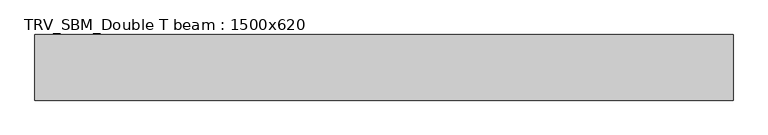
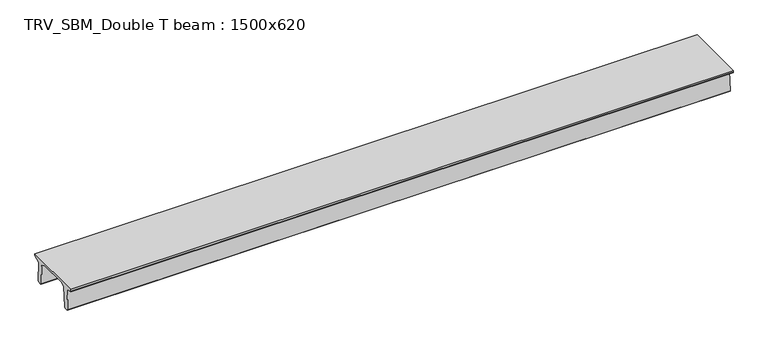
"""IFC4 building model written with IfcOpenShell, lengths in millimetres: beam geometry, TRV_SBM_Double T beam : 1500x620."""

import ifcopenshell
import ifcopenshell.guid

model = None  # the IFC model being written
_history = None  # IfcOwnerHistory: only IFC2X3 demands one
_inside = {}  # id of a spatial element -> (the spatial element, [elements in it])
_under = {}  # id of a project, library or spatial element -> (it, [spatial elements below it])
_declared = {}  # id of a project -> (the project, [libraries it declares])
_typed = {}  # id of a type object -> (the type object, [elements of that type])
_made_of = {}  # id of a material, layer set ... -> (it, [elements and type objects made of it])


def new_model(schema):
    """Start an empty IFC model of exactly this schema.

    Asked for "IFC4X3", IfcOpenShell would pick the latest addendum, in which some entities
    have other attributes; the version numbers below select the first issue.
    IFC2X3 requires an IfcOwnerHistory on every rooted entity: one is made here for all.
    """
    global model, _history
    if schema == "IFC4X3":
        model = ifcopenshell.file(schema_version=(4, 3, 0, 0))
    else:
        model = ifcopenshell.file(schema=schema)
    _inside.clear()
    _under.clear()
    _declared.clear()
    _typed.clear()
    _made_of.clear()
    _history = None
    if model.schema == "IFC2X3":
        org = make("IfcOrganization", Name="unknown")
        user = make(
            "IfcPersonAndOrganization",
            ThePerson=make("IfcPerson", FamilyName="unknown"),
            TheOrganization=org,
        )
        app = make(
            "IfcApplication",
            ApplicationDeveloper=org,
            Version="unknown",
            ApplicationFullName="unknown",
            ApplicationIdentifier="unknown",
        )
        _history = make(
            "IfcOwnerHistory",
            OwningUser=user,
            OwningApplication=app,
            ChangeAction="ADDED",
            CreationDate=0,
        )
    return model


def make(cls, **values):
    """One entity of the class cls with the attributes given. An attribute that is None is left unset."""
    return model.create_entity(
        cls, **{name: value for name, value in values.items() if value is not None}
    )


def rooted(cls, **values):
    """An entity with a GlobalId (a new one), such as an element, a storey or a relation."""
    return make(cls, GlobalId=ifcopenshell.guid.new(), OwnerHistory=_history, **values)


def si_unit(unit_type, name, prefix=None):
    """IfcSIUnit, for example si_unit("LENGTHUNIT", "METRE", prefix="MILLI")."""
    return make("IfcSIUnit", UnitType=unit_type, Prefix=prefix, Name=name)


def assignment(units):
    """IfcUnitAssignment: the units of a project."""
    return None if units is None else make("IfcUnitAssignment", Units=units)


def point(xyz):
    """IfcCartesianPoint."""
    return None if xyz is None else make("IfcCartesianPoint", Coordinates=xyz)


def direction(xyz):
    """IfcDirection."""
    return None if xyz is None else make("IfcDirection", DirectionRatios=xyz)


def frame(location, z_axis=None, x_axis=None):
    """IfcAxis2Placement3D, a coordinate frame: its origin and axes. An axis left out is left unset."""
    return make(
        "IfcAxis2Placement3D",
        Location=point(location),
        Axis=direction(z_axis),
        RefDirection=direction(x_axis),
    )


def origin():
    """The frame at (0, 0, 0) with its axes left unset."""
    return frame((0.0, 0.0, 0.0))


def place(relative_to, where):
    """IfcLocalPlacement: puts the frame where relative to a parent placement (None: the world)."""
    return make(
        "IfcLocalPlacement", PlacementRelTo=relative_to, RelativePlacement=where
    )


def context(
    kind, dimensions, precision=None, world=None, true_north=None, identifier=None
):
    """IfcGeometricRepresentationContext, for example the 3D "Model" context."""
    return make(
        "IfcGeometricRepresentationContext",
        ContextIdentifier=identifier,
        ContextType=kind,
        CoordinateSpaceDimension=dimensions,
        Precision=precision,
        WorldCoordinateSystem=world,
        TrueNorth=true_north,
    )


def project(units=None, contexts=None):
    """IfcProject with its units and contexts."""
    return rooted(
        "IfcProject",
        Name="project",
        RepresentationContexts=contexts,
        UnitsInContext=assignment(units),
    )


def spatial(cls, under=None, at=None, **own):
    """A site, building, storey or space (cls), placed at a placement, below another one or the project."""
    s = rooted(cls, ObjectPlacement=at, **own)
    if under is not None:
        _under.setdefault(under.id(), (under, []))[1].append(s)
    return s


def polyline(points):
    """IfcPolyline through the points."""
    return make("IfcPolyline", Points=[point(p) for p in points])


def outline(outer, holes=None, kind="AREA"):
    """IfcArbitraryClosedProfileDef: a profile drawn as a closed curve; with holes, ...WithVoids."""
    if holes is None:
        return make("IfcArbitraryClosedProfileDef", ProfileType=kind, OuterCurve=outer)
    return make(
        "IfcArbitraryProfileDefWithVoids",
        ProfileType=kind,
        OuterCurve=outer,
        InnerCurves=holes,
    )


def extrude(swept, where, along, depth):
    """IfcExtrudedAreaSolid: the profile swept, set in the frame where, extruded along a direction by depth."""
    return make(
        "IfcExtrudedAreaSolid",
        SweptArea=swept,
        Position=where,
        ExtrudedDirection=direction(along),
        Depth=depth,
    )


def shape(context_of_items, identifier, shape_type, items):
    """IfcShapeRepresentation: the items that make up one representation, for example the "Body"."""
    return make(
        "IfcShapeRepresentation",
        ContextOfItems=context_of_items,
        RepresentationIdentifier=identifier,
        RepresentationType=shape_type,
        Items=items,
    )


def source(mapping_origin, context_of_items, identifier, shape_type, items):
    """IfcRepresentationMap: a shape defined once, which mapped items show again and again."""
    return make(
        "IfcRepresentationMap",
        MappingOrigin=mapping_origin,
        MappedRepresentation=shape(context_of_items, identifier, shape_type, items),
    )


def transform(
    local_origin,
    x_axis=None,
    y_axis=None,
    z_axis=None,
    scale=None,
    scale2=None,
    scale3=None,
    uniform=True,
):
    """IfcCartesianTransformationOperator3D, or its non-uniform kind. x_axis, y_axis, z_axis: its Axis1, 2, 3."""
    if uniform:
        return make(
            "IfcCartesianTransformationOperator3D",
            Axis1=direction(x_axis),
            Axis2=direction(y_axis),
            LocalOrigin=point(local_origin),
            Scale=scale,
            Axis3=direction(z_axis),
        )
    return make(
        "IfcCartesianTransformationOperator3DnonUniform",
        Axis1=direction(x_axis),
        Axis2=direction(y_axis),
        LocalOrigin=point(local_origin),
        Scale=scale,
        Axis3=direction(z_axis),
        Scale2=scale2,
        Scale3=scale3,
    )


def mapped(mapping_source, mapping_target):
    """IfcMappedItem: shows the shape of a source again, moved by a transform."""
    return make(
        "IfcMappedItem", MappingSource=mapping_source, MappingTarget=mapping_target
    )


def made_of(thing, what):
    """Note that an element or type object is made of a material, layer set ...; save() writes the relation."""
    if what is not None:
        _made_of.setdefault(what.id(), (what, []))[1].append(thing)
    return thing


def element(
    cls,
    number,
    at=None,
    inside=None,
    cuts=None,
    type_object=None,
    material=None,
    context=None,
    identifier="Body",
    shape_type=None,
    held_by="IfcProductDefinitionShape",
    body=None,
    shapes=None,
    **own,
):
    """One element of the class cls, such as IfcWall. Its Tag is "e" and its number.

    at: its placement. inside: the storey or other place that contains it. cuts: it is an
    opening in that element (IfcRelVoidsElement). A single representation is given by context,
    identifier, shape_type and body (its items); several are given by shapes. held_by: the class
    of the entity that holds the representations. save() writes the other relations.
    """
    e = rooted(cls, Tag="e%d" % number, ObjectPlacement=at, **own)
    if body is not None:
        shapes = [shape(context, identifier, shape_type, body)]
    if shapes is not None:
        e.Representation = make(held_by, Representations=shapes)
    if inside is not None:
        _inside.setdefault(inside.id(), (inside, []))[1].append(e)
    if cuts is not None:
        rooted(
            "IfcRelVoidsElement", RelatingBuildingElement=cuts, RelatedOpeningElement=e
        )
    if type_object is not None:
        _typed.setdefault(type_object.id(), (type_object, []))[1].append(e)
    return made_of(e, material)


def aggregate(whole, parts):
    """IfcRelAggregates: a whole, such as a stair, and the parts it consists of."""
    return rooted("IfcRelAggregates", RelatingObject=whole, RelatedObjects=parts)


def save(model, path):
    """Write the relations noted so far, then the file.

    IfcRelAggregates (storeys below a building ...), IfcRelContainedInSpatialStructure (elements
    in a storey), IfcRelDefinesByType, IfcRelAssociatesMaterial and IfcRelDeclares: one each for
    every whole, place, type object, material and project.
    """
    for whole, parts in _under.values():
        aggregate(whole, parts)
    for where, things in _inside.values():
        rooted(
            "IfcRelContainedInSpatialStructure",
            RelatedElements=things,
            RelatingStructure=where,
        )
    for kind, things in _typed.values():
        rooted("IfcRelDefinesByType", RelatedObjects=things, RelatingType=kind)
    for what, things in _made_of.values():
        rooted("IfcRelAssociatesMaterial", RelatedObjects=things, RelatingMaterial=what)
    for by, libraries in _declared.values():
        rooted("IfcRelDeclares", RelatingContext=by, RelatedDefinitions=libraries)
    model.write(path)


def trv_sbm_double_t_beam_1500x620_17716b8b(model_context):
    return source(origin(), model_context, "Body", "SweptSolid", [
        extrude(outline(polyline([(-765.0, 215.0), (-765.0, 260.0), (735.0, 260.0), (735.0, 215.0), (728.2094488, 201.315559), (578.0626443, 140.6523122), (594.8277662, -339.4379646), (574.2657308, -360.0), (484.2657308, -360.0), (464.786332, -340.5206011), (447.8600761, 144.18395), (338.3237744, 210.0), (-367.4555014, 210.0), (-476.5389732, 151.9992892), (-507.0080378, -339.3850967), (-527.622941, -360.0), (-615.122941, -360.0), (-637.1143055, -338.0086356), (-606.1572167, 162.687806), (-761.3068466, 204.260024), (-765.0, 215.0)])), frame((-7937.5, 0.0, 0.0), z_axis=(1.0, 0.0, 0.0), x_axis=(0.0, 1.0, 0.0)), (0.0, 0.0, 1.0), 15952.0),
    ])


if __name__ == "__main__":
    model = new_model("IFC4")
    model_context = context("Model", 3, world=origin())
    ifc_project = project(units=[si_unit("LENGTHUNIT", "METRE", prefix="MILLI")], contexts=[model_context])
    site = spatial("IfcSite", under=ifc_project)
    building = spatial("IfcBuilding", under=site)
    placement = place(None, origin())
    trv_sbm_double_t_beam_1500x620_shape = trv_sbm_double_t_beam_1500x620_17716b8b(model_context)
    element("IfcBeam", 1, ObjectType="TRV_SBM_Double T beam : 1500x620", at=placement, inside=building, context=model_context, shape_type="MappedRepresentation", body=[
        mapped(trv_sbm_double_t_beam_1500x620_shape, transform((0.0, 0.0, 0.0), x_axis=(1.0, 0.0, 0.0), y_axis=(0.0, 1.0, 0.0), z_axis=(0.0, 0.0, 1.0))),
    ])
    save(model, "model.ifc")
